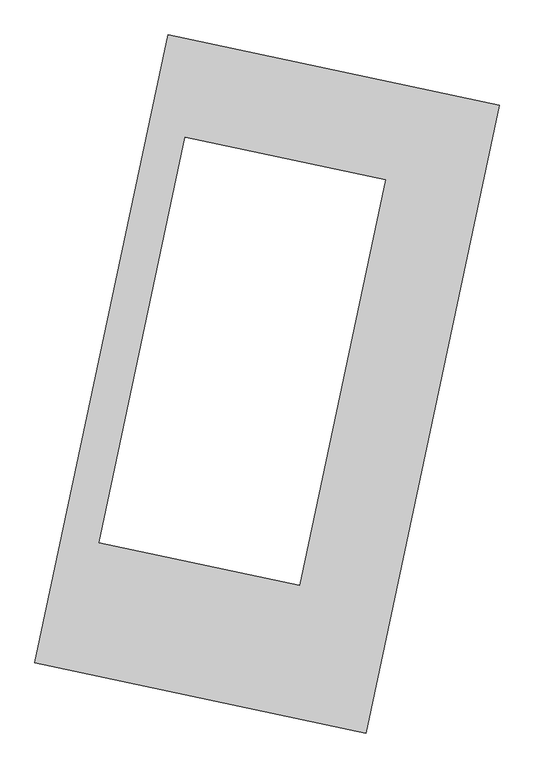
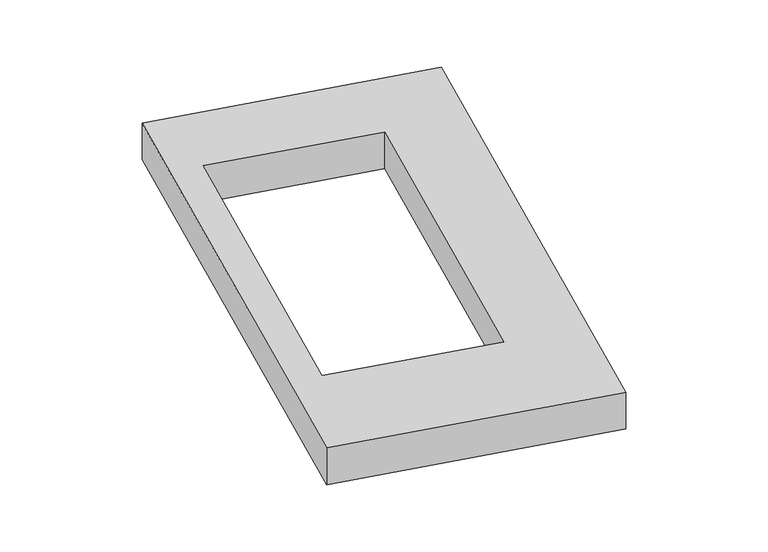
"""IFC4 building model written with IfcOpenShell, lengths in millimetres: proxy geometry."""

from ifc_helpers import new_model, si_unit, origin, origin_with_axes, place, context, project, spatial, polyline, outline, extrude, source, transform, mapped, element, save


def generic_models_1a17f47a(model_context):
    return source(origin(), model_context, "Body", "SweptSolid", [
        extrude(outline(polyline([(-617.3692021, 2175.5580432), (1447.7508745, 1737.3010494), (617.3692021, -2175.5580432), (-1447.7508745, -1737.3010494), (-617.3692021, 2175.5580432)]), holes=[polyline([(739.2252703, 1272.4452729), (-511.8232645, 1537.9411034), (-1048.1181534, -989.1454186), (202.9303814, -1254.6412492), (739.2252703, 1272.4452729)])]), origin_with_axes(), (0.0, 0.0, 1.0), 300.0),
    ])


if __name__ == "__main__":
    model = new_model("IFC4")
    model_context = context("Model", 3, world=origin())
    ifc_project = project(units=[si_unit("LENGTHUNIT", "METRE", prefix="MILLI")], contexts=[model_context])
    site = spatial("IfcSite", under=ifc_project)
    building = spatial("IfcBuilding", under=site)
    placement = place(None, origin())
    generic_models_shape = generic_models_1a17f47a(model_context)
    element("IfcBuildingElementProxy", 1, Name="Generic Models", at=placement, inside=building, context=model_context, shape_type="MappedRepresentation", body=[
        mapped(generic_models_shape, transform((0.0, 0.0, 0.0), x_axis=(1.0, 0.0, 0.0), y_axis=(0.0, 1.0, 0.0), z_axis=(0.0, 0.0, 1.0))),
    ])
    save(model, "model.ifc")
